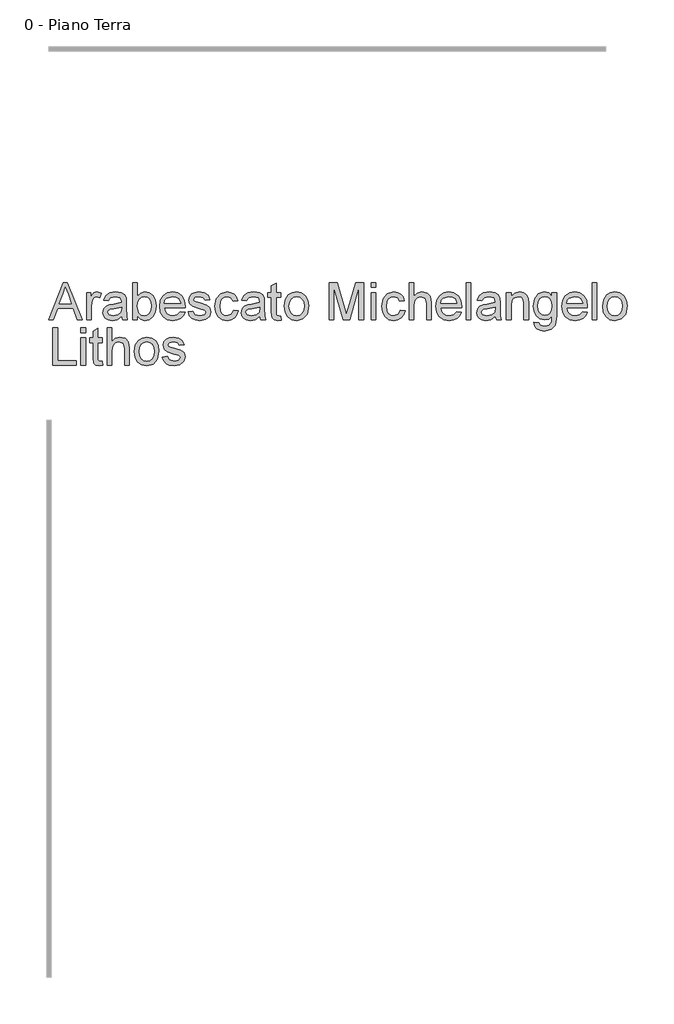
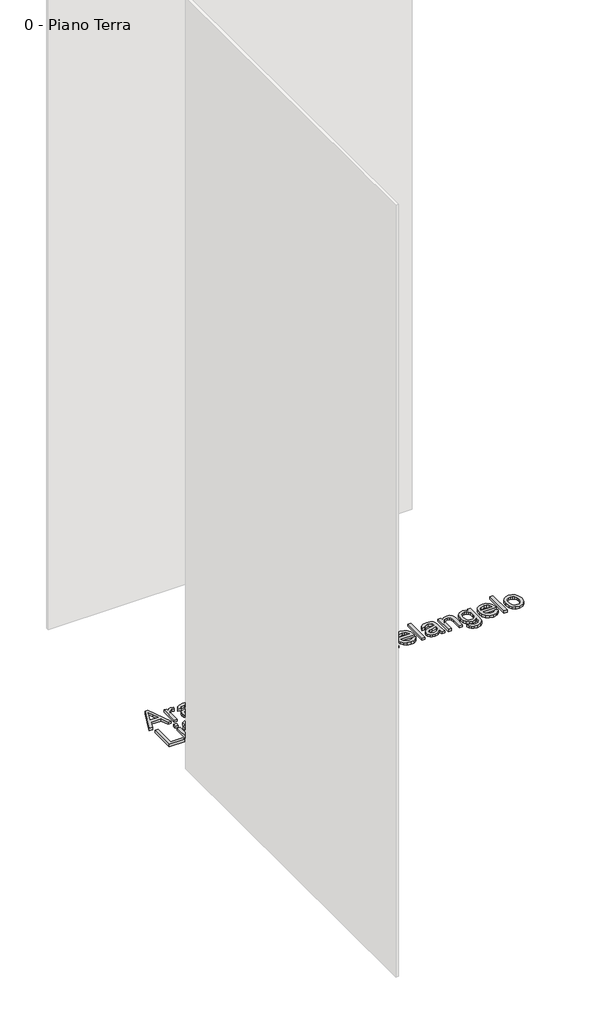
# One storey, part 35 of 35: 1 proxy.
"""IFC4 building model written with IfcOpenShell, lengths in millimetres."""

from ifc_helpers import new_model, si_unit, origin, origin_with_axes, place, context, project, spatial, polyline, outline, extrude, element, save

model = new_model("IFC4")

# Units and contexts
model_context = context("Model", 3, world=origin())
ifc_project = project(units=[si_unit("LENGTHUNIT", "METRE", prefix="MILLI")], contexts=[model_context])

# Site, building, storey
site = spatial("IfcSite", under=ifc_project)
building = spatial("IfcBuilding", under=site)
storey = spatial("IfcBuildingStorey", under=building, Name="0 - Piano Terra", Elevation=0.0)

# Proxy
placement = place(None, origin())
element("IfcBuildingElementProxy", 1, Name="Testo modello 1", ObjectType="Testo modello 1", at=placement, inside=storey, context=model_context, shape_type="SweptSolid", body=[
    extrude(outline(polyline([(12720.0306016, 17726.2407648), (12760.1297391, 17826.697075), (12770.8228424, 17826.697075), (12810.9219799, 17726.2407648), (12797.6537026, 17726.2407648), (12786.1512589, 17757.6333618), (12744.7767972, 17757.6333618), (12733.2988789, 17726.2407648), (12720.0306016, 17726.2407648)]), holes=[polyline([(12749.3875848, 17770.1904005), (12781.5649967, 17770.1904005), (12772.5150996, 17794.8875451), (12765.4762908, 17814.1400362), (12759.2222968, 17797.0457862), (12749.3875848, 17770.1904005)])]), origin_with_axes(), (0.0, 0.0, 1.0), 10.0),
    extrude(outline(polyline([(12822.7677801, 17726.2407648), (12822.7677801, 17800.0133676), (12833.7551891, 17800.0133676), (12833.7551891, 17789.0995351), (12841.5542874, 17799.1549763), (12849.4024366, 17801.5829975), (12862.0085263, 17797.7079738), (12857.8146716, 17786.4507847), (12848.9855037, 17789.0259587), (12841.8853812, 17786.5488866), (12837.3604326, 17779.681756), (12835.3248189, 17765.0155271), (12835.3248189, 17726.2407648), (12822.7677801, 17726.2407648)])), origin_with_axes(), (0.0, 0.0, 1.0), 10.0),
    extrude(outline(polyline([(12916.9455709, 17735.6585439), (12904.7686769, 17727.1482071), (12891.3164586, 17724.671135), (12880.8226247, 17726.1610571), (12873.0817744, 17730.6308233), (12868.3085055, 17737.4182461), (12866.7174158, 17745.8611379), (12869.1209115, 17755.7939518), (12875.4362191, 17763.0044389), (12884.2285988, 17767.1247172), (12895.0933804, 17769.0131782), (12916.8719945, 17773.3296602), (12916.9455709, 17776.1255634), (12913.4874802, 17785.3961897), (12899.6060662, 17789.0259587), (12886.9018746, 17786.6102003), (12880.8440845, 17778.0385498), (12868.2870457, 17779.6081796), (12873.7194365, 17791.8709128), (12884.6577945, 17799.0568744), (12901.224747, 17801.5829975), (12916.4427989, 17799.35118), (12925.0389748, 17793.747111), (12928.889473, 17785.2245114), (12929.5026097, 17774.2371025), (12929.5026097, 17758.6143804), (12930.1402718, 17736.7989781), (12932.6418694, 17726.2407648), (12920.0848306, 17726.2407648), (12916.9455709, 17735.6585439)]), holes=[polyline([(12916.9455709, 17760.7726215), (12896.6875357, 17756.9221232), (12885.8840678, 17754.8865095), (12880.9912373, 17751.5755716), (12879.2744546, 17746.7440547), (12883.0145882, 17739.9505005), (12893.9897344, 17737.2281738), (12906.693926, 17740.2325434), (12914.8854317, 17747.5043442), (12916.8719945, 17757.2164288), (12916.9455709, 17760.7726215)])]), origin_with_axes(), (0.0, 0.0, 1.0), 10.0),
    extrude(outline(polyline([(12959.3255768, 17726.2407648), (12946.768538, 17726.2407648), (12946.768538, 17826.697075), (12959.3255768, 17826.697075), (12959.3255768, 17789.4428916), (12968.1179564, 17798.547971), (12979.0440517, 17801.5829975), (12991.6256159, 17798.848408), (13001.3867515, 17791.1596743), (13007.3832281, 17779.2035094), (13009.5537318, 17764.2307122), (13007.306586, 17747.467556), (13000.5651484, 17734.9963563), (12990.6721884, 17727.2524403), (12978.9704753, 17724.671135), (12967.8052567, 17728.0004671), (12959.3255768, 17737.9884632), (12959.3255768, 17726.2407648)]), holes=[polyline([(12959.3255768, 17763.642101), (12962.759142, 17746.0818671), (12969.3380984, 17739.4415971), (12977.8913548, 17737.2281738), (12985.1386301, 17738.8591173), (12991.3313103, 17743.7519478), (12995.5803474, 17751.8760085), (12996.9966931, 17763.2006426), (12995.6385954, 17774.6908236), (12991.5643023, 17782.7229138), (12985.5647601, 17787.4501975), (12978.430915, 17789.0259587), (12971.1836397, 17787.3950152), (12964.9909595, 17782.5021846), (12960.7419224, 17774.5252767), (12959.3255768, 17763.642101)])]), origin_with_axes(), (0.0, 0.0, 1.0), 10.0),
    extrude(outline(polyline([(13075.3310326, 17748.2155827), (13087.6428167, 17746.6459528), (13083.206773, 17737.3691952), (13076.1281102, 17730.4346196), (13066.566244, 17726.1120062), (13054.6805899, 17724.671135), (13039.946916, 17727.1574042), (13028.6100192, 17734.6162116), (13021.381138, 17746.5631794), (13018.9715109, 17762.5139296), (13021.4056634, 17779.0011743), (13028.708121, 17791.3313525), (13039.8917337, 17799.0200862), (13053.9693514, 17801.5829975), (13067.6085764, 17799.0262176), (13078.5070805, 17791.355878), (13085.6531882, 17779.0502253), (13088.0352241, 17762.587506), (13087.9616477, 17759.2029916), (13031.5285497, 17759.2029916), (13033.7021191, 17749.8036066), (13038.7512995, 17742.8935565), (13046.0384287, 17738.6445195), (13054.9258446, 17737.2281738), (13067.2376287, 17739.8523987), (13075.3310326, 17748.2155827)]), holes=[polyline([(13031.5285497, 17771.7600304), (13075.4781854, 17771.7600304), (13070.4504648, 17783.1398468), (13063.1296131, 17787.5544307), (13053.9203005, 17789.0259587), (13038.4569939, 17784.3293319), (13033.5917545, 17778.8386931), (13031.5285497, 17771.7600304)])]), origin_with_axes(), (0.0, 0.0, 1.0), 10.0),
    extrude(outline(polyline([(13095.8833734, 17748.2155827), (13108.4404121, 17749.7852125), (13114.2529477, 17740.4655353), (13127.5702759, 17737.2281738), (13140.3725693, 17740.1957552), (13144.5418986, 17747.1609876), (13140.3480439, 17752.8018449), (13127.4231231, 17756.382563), (13108.5139885, 17762.5261923), (13100.2611691, 17769.6998912), (13097.4530032, 17779.8289088), (13099.7093461, 17789.1853742), (13105.8652382, 17796.3345477), (13113.8482775, 17800.0501558), (13124.6517454, 17801.5829975), (13139.9311109, 17799.1181881), (13149.6431956, 17792.4472612), (13153.9596777, 17781.1778095), (13141.4026389, 17779.6081796), (13136.6814866, 17786.5366239), (13125.632764, 17789.0259587), (13113.6152855, 17786.6469885), (13110.010042, 17781.1042331), (13111.5060954, 17777.4499386), (13116.1904595, 17774.6785609), (13127.0061902, 17772.005285), (13145.4370781, 17766.0946477), (13153.9964659, 17759.3991953), (13157.0989374, 17748.4853628), (13153.4569056, 17736.4678843), (13142.9477433, 17727.749081), (13127.3985976, 17724.671135), (13114.7373256, 17726.1549257), (13105.4973562, 17730.6062979), (13099.3292014, 17737.9762005), (13095.8833734, 17748.2155827)])), origin_with_axes(), (0.0, 0.0, 1.0), 10.0),
    extrude(outline(polyline([(13218.3145014, 17752.9244722), (13230.8715401, 17751.3548424), (13227.3705298, 17740.1865581), (13220.7915735, 17731.746732), (13211.7539391, 17726.4400343), (13200.8768948, 17724.671135), (13187.5197127, 17727.1390101), (13177.0749297, 17734.5426352), (13170.3334921, 17746.557048), (13168.0863463, 17762.8572861), (13171.9245818, 17783.7161952), (13183.6232292, 17797.1193626), (13200.7052165, 17801.5829975), (13211.3155464, 17800.0501558), (13219.7982921, 17795.4516309), (13225.8836734, 17788.0326773), (13229.3019103, 17778.0385498), (13216.7448715, 17776.4689199), (13210.9200733, 17785.8744363), (13200.8033184, 17789.0259587), (13192.6884547, 17787.4747229), (13186.2474541, 17782.8210157), (13182.0444023, 17774.8134509), (13180.6433851, 17763.2006426), (13182.0137455, 17751.4314845), (13186.1248268, 17743.3963286), (13192.4493314, 17738.7702125), (13200.4599619, 17737.2281738), (13212.2934994, 17741.078672), (13218.3145014, 17752.9244722)])), origin_with_axes(), (0.0, 0.0, 1.0), 10.0),
    extrude(outline(polyline([(13288.9478444, 17735.6585439), (13276.7709504, 17727.1482071), (13263.3187321, 17724.671135), (13252.8248982, 17726.1610571), (13245.0840479, 17730.6308233), (13240.310779, 17737.4182461), (13238.7196894, 17745.8611379), (13241.1231851, 17755.7939518), (13247.4384926, 17763.0044389), (13256.2308723, 17767.1247172), (13267.0956539, 17769.0131782), (13288.874268, 17773.3296602), (13288.9478444, 17776.1255634), (13285.4897537, 17785.3961897), (13271.6083397, 17789.0259587), (13258.9041482, 17786.6102003), (13252.846358, 17778.0385498), (13240.2893192, 17779.6081796), (13245.72171, 17791.8709128), (13256.660068, 17799.0568744), (13273.2270205, 17801.5829975), (13288.4450724, 17799.35118), (13297.0412483, 17793.747111), (13300.8917465, 17785.2245114), (13301.5048832, 17774.2371025), (13301.5048832, 17758.6143804), (13302.1425453, 17736.7989781), (13304.6441429, 17726.2407648), (13292.0871041, 17726.2407648), (13288.9478444, 17735.6585439)]), holes=[polyline([(13288.9478444, 17760.7726215), (13268.6898092, 17756.9221232), (13257.8863413, 17754.8865095), (13252.9935108, 17751.5755716), (13251.2767281, 17746.7440547), (13255.0168617, 17739.9505005), (13265.9920079, 17737.2281738), (13278.6961995, 17740.2325434), (13286.8877053, 17747.5043442), (13288.874268, 17757.2164288), (13288.9478444, 17760.7726215)])]), origin_with_axes(), (0.0, 0.0, 1.0), 10.0),
    extrude(outline(polyline([(13345.4545189, 17736.713139), (13347.0241487, 17725.8728829), (13337.6308951, 17724.671135), (13327.1094701, 17726.7557996), (13321.8610203, 17732.2249786), (13320.3404414, 17746.4742746), (13320.3404414, 17787.4563288), (13310.9226623, 17787.4563288), (13310.9226623, 17800.0133676), (13320.3404414, 17800.0133676), (13320.3404414, 17817.9414835), (13332.8974801, 17825.3236489), (13332.8974801, 17800.0133676), (13345.4545189, 17800.0133676), (13345.4545189, 17787.4563288), (13332.8974801, 17787.4563288), (13332.8974801, 17746.8421566), (13333.5596677, 17740.3674335), (13335.705646, 17738.0743024), (13339.9853399, 17737.2281738), (13345.4545189, 17736.713139)])), origin_with_axes(), (0.0, 0.0, 1.0), 10.0),
    extrude(outline(polyline([(13354.872298, 17763.1270662), (13357.5884934, 17780.9141607), (13365.7370796, 17793.4160172), (13375.8047835, 17799.5412524), (13387.8590502, 17801.5829975), (13401.0506854, 17799.0967283), (13411.5874389, 17791.6379209), (13418.4944234, 17779.7951863), (13420.7967515, 17764.1571358), (13416.7255241, 17741.814436), (13404.8674611, 17729.1715581), (13387.8590502, 17724.671135), (13374.5079995, 17727.1482071), (13363.9835087, 17734.5794234), (13357.1501007, 17746.6704783), (13354.872298, 17763.1270662)]), holes=[polyline([(13367.4293367, 17763.1515917), (13368.8824706, 17751.7871037), (13373.2418723, 17743.6906342), (13379.8024345, 17738.8437889), (13387.8590502, 17737.2281738), (13395.8788777, 17738.8529859), (13402.4271772, 17743.7274224), (13406.7865789, 17751.9311908), (13408.2397127, 17763.5439992), (13406.7773818, 17774.5773933), (13402.390389, 17782.5634983), (13395.8328925, 17787.4103436), (13387.8590502, 17789.0259587), (13379.8024345, 17787.416475), (13373.2418723, 17782.5880238), (13368.8824706, 17774.5099483), (13367.4293367, 17763.1515917)])]), origin_with_axes(), (0.0, 0.0, 1.0), 10.0),
    extrude(outline(polyline([(13475.7337961, 17726.2407648), (13475.7337961, 17826.697075), (13497.340732, 17826.697075), (13517.8930728, 17755.8920537), (13522.0378766, 17741.1031975), (13526.5260369, 17757.118327), (13546.7350212, 17826.697075), (13568.341957, 17826.697075), (13568.341957, 17726.2407648), (13555.7849183, 17726.2407648), (13555.7849183, 17814.1400362), (13530.5482134, 17726.2407648), (13513.5275398, 17726.2407648), (13488.2908349, 17814.1400362), (13488.2908349, 17726.2407648), (13475.7337961, 17726.2407648)])), origin_with_axes(), (0.0, 0.0, 1.0), 10.0),
    extrude(outline(polyline([(13588.747145, 17814.1400362), (13588.747145, 17826.697075), (13601.3041838, 17826.697075), (13601.3041838, 17814.1400362), (13588.747145, 17814.1400362)])), origin_with_axes(), (0.0, 0.0, 1.0), 10.0),
    extrude(outline(polyline([(13588.747145, 17726.2407648), (13588.747145, 17800.0133676), (13601.3041838, 17800.0133676), (13601.3041838, 17726.2407648), (13588.747145, 17726.2407648)])), origin_with_axes(), (0.0, 0.0, 1.0), 10.0),
    extrude(outline(polyline([(13667.2286373, 17752.9244722), (13679.7856761, 17751.3548424), (13676.2846658, 17740.1865581), (13669.7057094, 17731.746732), (13660.6680751, 17726.4400343), (13649.7910308, 17724.671135), (13636.4338487, 17727.1390101), (13625.9890657, 17734.5426352), (13619.2476281, 17746.557048), (13617.0004823, 17762.8572861), (13620.8387178, 17783.7161952), (13632.5373652, 17797.1193626), (13649.6193525, 17801.5829975), (13660.2296824, 17800.0501558), (13668.7124281, 17795.4516309), (13674.7978094, 17788.0326773), (13678.2160463, 17778.0385498), (13665.6590075, 17776.4689199), (13659.8342092, 17785.8744363), (13649.7174544, 17789.0259587), (13641.6025907, 17787.4747229), (13635.1615901, 17782.8210157), (13630.9585383, 17774.8134509), (13629.557521, 17763.2006426), (13630.9278815, 17751.4314845), (13635.0389628, 17743.3963286), (13641.3634674, 17738.7702125), (13649.3740978, 17737.2281738), (13661.2076354, 17741.078672), (13667.2286373, 17752.9244722)])), origin_with_axes(), (0.0, 0.0, 1.0), 10.0),
    extrude(outline(polyline([(13690.773085, 17726.2407648), (13690.773085, 17826.697075), (13703.3301238, 17826.697075), (13703.3301238, 17789.7617227), (13713.1219162, 17798.6276788), (13725.1823143, 17801.5829975), (13739.2844575, 17798.3578986), (13747.8438452, 17789.4428916), (13750.4190192, 17772.9372528), (13750.4190192, 17726.2407648), (13737.8619804, 17726.2407648), (13737.8619804, 17771.6374031), (13733.8643294, 17784.8811549), (13722.533564, 17789.0259587), (13712.2451308, 17786.2300555), (13705.3780002, 17778.6516864), (13703.3301238, 17765.4324601), (13703.3301238, 17726.2407648), (13690.773085, 17726.2407648)])), origin_with_axes(), (0.0, 0.0, 1.0), 10.0),
    extrude(outline(polyline([(13819.3355796, 17748.2155827), (13831.6473637, 17746.6459528), (13827.21132, 17737.3691952), (13820.1326573, 17730.4346196), (13810.5707911, 17726.1120062), (13798.685137, 17724.671135), (13783.951463, 17727.1574042), (13772.6145662, 17734.6162116), (13765.385685, 17746.5631794), (13762.976058, 17762.5139296), (13765.4102105, 17779.0011743), (13772.7126681, 17791.3313525), (13783.8962807, 17799.0200862), (13797.9738984, 17801.5829975), (13811.6131234, 17799.0262176), (13822.5116275, 17791.355878), (13829.6577353, 17779.0502253), (13832.0397712, 17762.587506), (13831.9661948, 17759.2029916), (13775.5330967, 17759.2029916), (13777.7066662, 17749.8036066), (13782.7558466, 17742.8935565), (13790.0429758, 17738.6445195), (13798.9303916, 17737.2281738), (13811.2421757, 17739.8523987), (13819.3355796, 17748.2155827)]), holes=[polyline([(13775.5330967, 17771.7600304), (13819.4827324, 17771.7600304), (13814.4550118, 17783.1398468), (13807.1341601, 17787.5544307), (13797.9248475, 17789.0259587), (13782.461541, 17784.3293319), (13777.5963016, 17778.8386931), (13775.5330967, 17771.7600304)])]), origin_with_axes(), (0.0, 0.0, 1.0), 10.0),
    extrude(outline(polyline([(13844.59681, 17726.2407648), (13844.59681, 17826.697075), (13857.1538487, 17826.697075), (13857.1538487, 17726.2407648), (13844.59681, 17726.2407648)])), origin_with_axes(), (0.0, 0.0, 1.0), 10.0),
    extrude(outline(polyline([(13923.0783023, 17735.6585439), (13910.9014082, 17727.1482071), (13897.4491899, 17724.671135), (13886.955356, 17726.1610571), (13879.2145057, 17730.6308233), (13874.4412368, 17737.4182461), (13872.8501472, 17745.8611379), (13875.2536429, 17755.7939518), (13881.5689505, 17763.0044389), (13890.3613302, 17767.1247172), (13901.2261117, 17769.0131782), (13923.0047259, 17773.3296602), (13923.0783023, 17776.1255634), (13919.6202115, 17785.3961897), (13905.7387976, 17789.0259587), (13893.034606, 17786.6102003), (13886.9768158, 17778.0385498), (13874.419777, 17779.6081796), (13879.8521678, 17791.8709128), (13890.7905258, 17799.0568744), (13907.3574783, 17801.5829975), (13922.5755302, 17799.35118), (13931.1717062, 17793.747111), (13935.0222044, 17785.2245114), (13935.635341, 17774.2371025), (13935.635341, 17758.6143804), (13936.2730031, 17736.7989781), (13938.7746007, 17726.2407648), (13926.2175619, 17726.2407648), (13923.0783023, 17735.6585439)]), holes=[polyline([(13923.0783023, 17760.7726215), (13902.8202671, 17756.9221232), (13892.0167991, 17754.8865095), (13887.1239686, 17751.5755716), (13885.407186, 17746.7440547), (13889.1473196, 17739.9505005), (13900.1224658, 17737.2281738), (13912.8266573, 17740.2325434), (13921.0181631, 17747.5043442), (13923.0047259, 17757.2164288), (13923.0783023, 17760.7726215)])]), origin_with_axes(), (0.0, 0.0, 1.0), 10.0),
    extrude(outline(polyline([(13952.9012693, 17726.2407648), (13952.9012693, 17800.0133676), (13965.4583081, 17800.0133676), (13965.4583081, 17789.7126717), (13975.0600282, 17798.615416), (13988.1688899, 17801.5829975), (14000.0269529, 17799.1917645), (14008.1203568, 17792.9132451), (14011.8850159, 17783.679407), (14012.5472035, 17771.5393012), (14012.5472035, 17726.2407648), (13999.9901647, 17726.2407648), (13999.9901647, 17769.847044), (13998.5431622, 17780.9570803), (13993.4296025, 17786.8309295), (13984.808901, 17789.0259587), (13971.1850045, 17784.09634), (13966.8899822, 17776.9532979), (13965.4583081, 17765.3834091), (13965.4583081, 17726.2407648), (13952.9012693, 17726.2407648)])), origin_with_axes(), (0.0, 0.0, 1.0), 10.0),
    extrude(outline(polyline([(14026.6738721, 17719.9622455), (14039.2309109, 17718.3926156), (14043.3021383, 17711.7707397), (14055.4912951, 17708.9748365), (14068.3426394, 17712.1386217), (14074.474006, 17721.0168405), (14075.3323973, 17735.6585439), (14066.4909667, 17728.5952096), (14055.7120243, 17726.2407648), (14042.7656437, 17728.9814857), (14033.111807, 17737.2036483), (14027.1061334, 17749.257915), (14025.1042423, 17763.4949482), (14028.6972231, 17782.9559058), (14039.0960208, 17796.7269551), (14055.0988876, 17801.5829975), (14066.3008943, 17798.8361452), (14075.3323973, 17790.5955885), (14075.3323973, 17800.0133676), (14087.8894361, 17800.0133676), (14087.8894361, 17736.3207315), (14084.4558708, 17711.9301552), (14073.5788265, 17700.5871271), (14055.2460404, 17696.4177978), (14043.5627214, 17697.8862601), (14034.3626058, 17702.291647), (14028.4611655, 17709.6462212), (14026.6738721, 17719.9622455)]), holes=[polyline([(14037.661281, 17764.3533395), (14039.0009846, 17752.8355674), (14043.0200954, 17744.9169075), (14049.0625572, 17740.3275796), (14056.4723137, 17738.7978036), (14063.8268879, 17740.3183825), (14069.9000065, 17744.8801193), (14073.9742996, 17752.6976117), (14075.3323973, 17763.9854576), (14073.9344457, 17774.8716989), (14069.740591, 17782.7106511), (14063.5785676, 17787.4471318), (14056.27611, 17789.0259587), (14049.1054768, 17787.4716573), (14043.0936718, 17782.808753), (14039.0193787, 17775.0862968), (14037.661281, 17764.3533395)])]), origin_with_axes(), (0.0, 0.0, 1.0), 10.0),
    extrude(outline(polyline([(14158.3756264, 17748.2155827), (14170.6874105, 17746.6459528), (14166.2513668, 17737.3691952), (14159.172704, 17730.4346196), (14149.6108378, 17726.1120062), (14137.7251837, 17724.671135), (14122.9915098, 17727.1574042), (14111.654613, 17734.6162116), (14104.4257318, 17746.5631794), (14102.0161047, 17762.5139296), (14104.4502572, 17779.0011743), (14111.7527148, 17791.3313525), (14122.9363275, 17799.0200862), (14137.0139452, 17801.5829975), (14150.6531702, 17799.0262176), (14161.5516743, 17791.355878), (14168.697782, 17779.0502253), (14171.0798179, 17762.587506), (14171.0062415, 17759.2029916), (14114.5731435, 17759.2029916), (14116.7467129, 17749.8036066), (14121.7958933, 17742.8935565), (14129.0830225, 17738.6445195), (14137.9704384, 17737.2281738), (14150.2822225, 17739.8523987), (14158.3756264, 17748.2155827)]), holes=[polyline([(14114.5731435, 17771.7600304), (14158.5227792, 17771.7600304), (14153.4950586, 17783.1398468), (14146.1742069, 17787.5544307), (14136.9648943, 17789.0259587), (14121.5015877, 17784.3293319), (14116.6363483, 17778.8386931), (14114.5731435, 17771.7600304)])]), origin_with_axes(), (0.0, 0.0, 1.0), 10.0),
    extrude(outline(polyline([(14183.6368567, 17726.2407648), (14183.6368567, 17826.697075), (14196.1938955, 17826.697075), (14196.1938955, 17726.2407648), (14183.6368567, 17726.2407648)])), origin_with_axes(), (0.0, 0.0, 1.0), 10.0),
    extrude(outline(polyline([(14211.8901939, 17763.1270662), (14214.6063893, 17780.9141607), (14222.7549755, 17793.4160172), (14232.8226795, 17799.5412524), (14244.8769462, 17801.5829975), (14258.0685814, 17799.0967283), (14268.6053349, 17791.6379209), (14275.5123193, 17779.7951863), (14277.8146475, 17764.1571358), (14273.7434201, 17741.814436), (14261.8853571, 17729.1715581), (14244.8769462, 17724.671135), (14231.5258954, 17727.1482071), (14221.0014047, 17734.5794234), (14214.1679966, 17746.6704783), (14211.8901939, 17763.1270662)]), holes=[polyline([(14224.4472327, 17763.1515917), (14225.9003666, 17751.7871037), (14230.2597682, 17743.6906342), (14236.8203305, 17738.8437889), (14244.8769462, 17737.2281738), (14252.8967737, 17738.8529859), (14259.4450732, 17743.7274224), (14263.8044748, 17751.9311908), (14265.2576087, 17763.5439992), (14263.7952778, 17774.5773933), (14259.408285, 17782.5634983), (14252.8507884, 17787.4103436), (14244.8769462, 17789.0259587), (14236.8203305, 17787.416475), (14230.2597682, 17782.5880238), (14225.9003666, 17774.5099483), (14224.4472327, 17763.1515917)])]), origin_with_axes(), (0.0, 0.0, 1.0), 10.0),
    extrude(outline(polyline([(12731.7292491, 17604.265947), (12731.7292491, 17704.7222572), (12744.2862878, 17704.7222572), (12744.2862878, 17616.8229858), (12794.5144429, 17616.8229858), (12794.5144429, 17604.265947), (12731.7292491, 17604.265947)])), origin_with_axes(), (0.0, 0.0, 1.0), 10.0),
    extrude(outline(polyline([(12807.0714817, 17692.1652184), (12807.0714817, 17704.7222572), (12819.6285205, 17704.7222572), (12819.6285205, 17692.1652184), (12807.0714817, 17692.1652184)])), origin_with_axes(), (0.0, 0.0, 1.0), 10.0),
    extrude(outline(polyline([(12807.0714817, 17604.265947), (12807.0714817, 17678.0385498), (12819.6285205, 17678.0385498), (12819.6285205, 17604.265947), (12807.0714817, 17604.265947)])), origin_with_axes(), (0.0, 0.0, 1.0), 10.0),
    extrude(outline(polyline([(12865.147786, 17614.7383211), (12866.7174158, 17603.898065), (12857.3241622, 17602.6963172), (12846.8027372, 17604.7809818), (12841.5542874, 17610.2501608), (12840.0337085, 17624.4994567), (12840.0337085, 17665.481511), (12830.6159294, 17665.481511), (12830.6159294, 17678.0385498), (12840.0337085, 17678.0385498), (12840.0337085, 17695.9666657), (12852.5907472, 17703.348831), (12852.5907472, 17678.0385498), (12865.147786, 17678.0385498), (12865.147786, 17665.481511), (12852.5907472, 17665.481511), (12852.5907472, 17624.8673387), (12853.2529348, 17618.3926156), (12855.3989131, 17616.0994845), (12859.678607, 17615.2533559), (12865.147786, 17614.7383211)])), origin_with_axes(), (0.0, 0.0, 1.0), 10.0),
    extrude(outline(polyline([(12877.7048248, 17604.265947), (12877.7048248, 17704.7222572), (12890.2618635, 17704.7222572), (12890.2618635, 17667.7869048), (12900.053656, 17676.6528609), (12912.114054, 17679.6081796), (12926.2161972, 17676.3830808), (12934.7755849, 17667.4680738), (12937.3507589, 17650.9624349), (12937.3507589, 17604.265947), (12924.7937201, 17604.265947), (12924.7937201, 17649.6625852), (12920.7960691, 17662.906337), (12909.4653037, 17667.0511408), (12899.1768705, 17664.2552377), (12892.30974, 17656.6768686), (12890.2618635, 17643.4576422), (12890.2618635, 17604.265947), (12877.7048248, 17604.265947)])), origin_with_axes(), (0.0, 0.0, 1.0), 10.0),
    extrude(outline(polyline([(12951.4774275, 17641.1522484), (12954.1936229, 17658.9393429), (12962.3422091, 17671.4411993), (12972.4099131, 17677.5664345), (12984.4641798, 17679.6081796), (12997.655815, 17677.1219105), (13008.1925685, 17669.663103), (13015.0995529, 17657.8203685), (13017.4018811, 17642.182318), (13013.3306537, 17619.8396181), (13001.4725907, 17607.1967402), (12984.4641798, 17602.6963172), (12971.113129, 17605.1733893), (12960.5886383, 17612.6046056), (12953.7552302, 17624.6956605), (12951.4774275, 17641.1522484)]), holes=[polyline([(12964.0344663, 17641.1767739), (12965.4876002, 17629.8122859), (12969.8470018, 17621.7158163), (12976.4075641, 17616.868971), (12984.4641798, 17615.2533559), (12992.4840073, 17616.8781681), (12999.0323068, 17621.7526045), (13003.3917084, 17629.956373), (13004.8448423, 17641.5691813), (13003.3825114, 17652.6025755), (12998.9955186, 17660.5886805), (12992.438022, 17665.4355258), (12984.4641798, 17667.0511408), (12976.4075641, 17665.4416571), (12969.8470018, 17660.6132059), (12965.4876002, 17652.5351305), (12964.0344663, 17641.1767739)])]), origin_with_axes(), (0.0, 0.0, 1.0), 10.0),
    extrude(outline(polyline([(13026.8196601, 17626.2407648), (13039.3766989, 17627.8103947), (13045.1892344, 17618.4907175), (13058.5065627, 17615.2533559), (13071.3088561, 17618.2209374), (13075.4781854, 17625.1861698), (13071.2843306, 17630.8270271), (13058.3594099, 17634.4077451), (13039.4502753, 17640.5513745), (13031.1974559, 17647.7250734), (13028.38929, 17657.854091), (13030.6456329, 17667.2105564), (13036.8015249, 17674.3597298), (13044.7845642, 17678.075338), (13055.5880322, 17679.6081796), (13070.8673977, 17677.1433702), (13080.5794824, 17670.4724434), (13084.8959644, 17659.2029916), (13072.3389257, 17657.6333618), (13067.6177734, 17664.561806), (13056.5690508, 17667.0511408), (13044.5515723, 17664.6721706), (13040.9463288, 17659.1294152), (13042.4423822, 17655.4751207), (13047.1267463, 17652.703743), (13057.9424769, 17650.0304672), (13076.3733649, 17644.1198298), (13084.9327526, 17637.4243775), (13088.0352241, 17626.510545), (13084.3931924, 17614.4930665), (13073.8840301, 17605.7742632), (13058.3348844, 17602.6963172), (13045.6736124, 17604.1801079), (13036.4336429, 17608.63148), (13030.2654882, 17616.0013826), (13026.8196601, 17626.2407648)])), origin_with_axes(), (0.0, 0.0, 1.0), 10.0),
])

save(model, "model.ifc")
